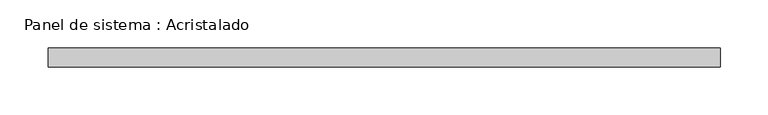
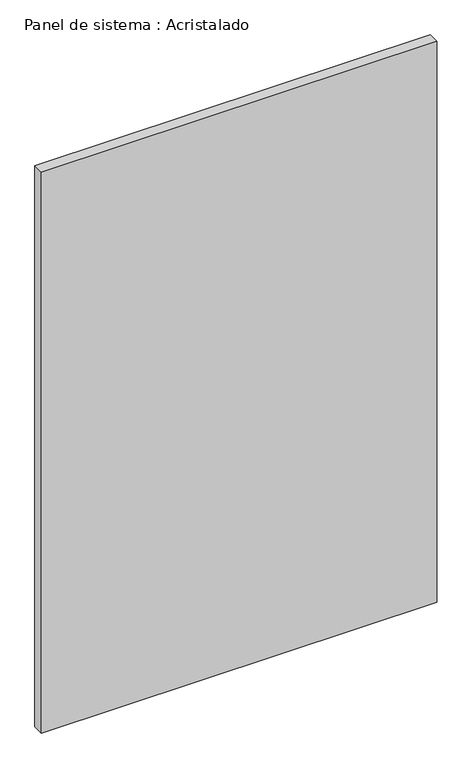
"""IFC4 building model written with IfcOpenShell, lengths in millimetres: plate geometry, Panel de sistema : Acristalado."""

from ifc_helpers import new_model, si_unit, origin, origin_with_axes, place, context, project, spatial, polyline, outline, extrude, source, transform, mapped, element, save


def panel_de_sistema_acristalado_1c0eade6(model_context):
    return source(origin(), model_context, "Body", "SweptSolid", [
        extrude(outline(polyline([(350.0, -10.0), (-350.0, -10.0), (-350.0, 10.0), (350.0, 10.0), (350.0, -10.0)])), origin_with_axes(), (0.0, 0.0, 1.0), 1050.0),
    ])


if __name__ == "__main__":
    model = new_model("IFC4")
    model_context = context("Model", 3, world=origin())
    ifc_project = project(units=[si_unit("LENGTHUNIT", "METRE", prefix="MILLI")], contexts=[model_context])
    site = spatial("IfcSite", under=ifc_project)
    building = spatial("IfcBuilding", under=site)
    placement = place(None, origin())
    panel_de_sistema_acristalado_shape = panel_de_sistema_acristalado_1c0eade6(model_context)
    element("IfcPlate", 1, ObjectType="Panel de sistema : Acristalado", at=placement, inside=building, context=model_context, shape_type="MappedRepresentation", body=[
        mapped(panel_de_sistema_acristalado_shape, transform((0.0, 0.0, 0.0), x_axis=(1.0, 0.0, 0.0), y_axis=(0.0, 1.0, 0.0), z_axis=(0.0, 0.0, 1.0))),
    ])
    save(model, "model.ifc")
